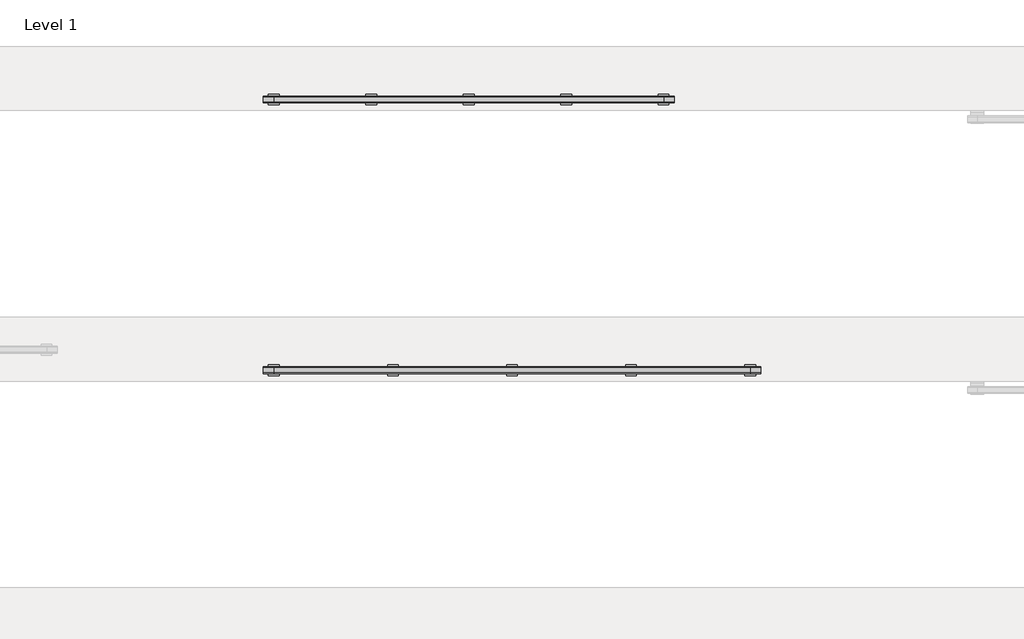
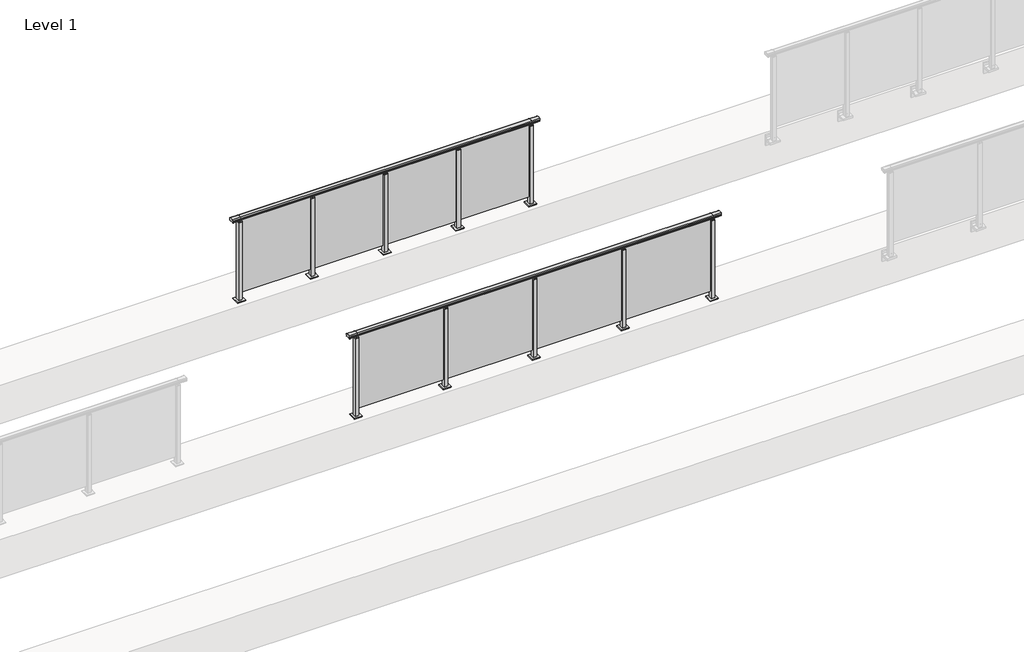
# One storey, part 55 of 64: 2 railings.
"""IFC4 building model written with IfcOpenShell, lengths in millimetres."""

from ifc_helpers import new_model, si_unit, frame, origin, origin_with_axes, place, context, project, spatial, polyline, circle_curve, outline, extrude, element, save
from ifc_brep_helpers import plane_surface, cylinder_surface, revolved_surface, advanced_brep

model = new_model("IFC4")

# Units and contexts
model_context = context("Model", 3, world=origin())
ifc_project = project(units=[si_unit("LENGTHUNIT", "METRE", prefix="MILLI")], contexts=[model_context])

# Site, building, storey
site = spatial("IfcSite", under=ifc_project)
building = spatial("IfcBuilding", under=site)
storey = spatial("IfcBuildingStorey", under=building, Name="Level 1", Elevation=0.0)

# Railings
placement = place(None, origin())
element("IfcRailing", 1, at=placement, inside=storey, context=model_context, shape_type="SolidModel", body=[
    advanced_brep(
    [(36400.0, 35025.3633756, 1095.6691182), (36400.0, 35030.1846828, 1081.1334092), (36400.0, 35029.2413744, 1069.2539035), (36400.0, 35031.1364177, 1061.4863007), (36400.0, 35029.4894799, 1060.384124), (36400.0, 35029.4894799, 1062.0), (36400.0, 34970.8798858, 1062.0), (36400.0, 34970.8798858, 1060.384124), (36400.0, 34969.232948, 1061.4863007), (36400.0, 34971.1279912, 1069.2539035), (36400.0, 34970.1846828, 1081.1334092), (36400.0, 34975.00599, 1095.6691182), (41000.0, 35025.3633756, 1095.6691182), (41000.0, 34975.00599, 1095.6691182), (41000.0, 34970.1846828, 1081.1334092), (41000.0, 34971.1279912, 1069.2539035), (41000.0, 34969.232948, 1061.4863007), (41000.0, 34970.8798858, 1060.384124), (41000.0, 34970.8798858, 1062.0), (41000.0, 35029.4894799, 1062.0), (41000.0, 35029.4894799, 1060.384124), (41000.0, 35031.1364177, 1061.4863007), (41000.0, 35029.2413744, 1069.2539035), (41000.0, 35030.1846828, 1081.1334092), (36500.0, 35025.3633756, 1095.6691182), (36500.0, 35030.1846828, 1081.1334092), (36500.0, 35029.2413744, 1069.2539035), (36500.0, 35031.1364177, 1061.4863007), (36500.0, 35029.4894799, 1060.384124), (36500.0, 35029.4894799, 1062.0), (36500.0, 34970.8798858, 1062.0), (36500.0, 34970.8798858, 1060.384124), (36500.0, 34969.232948, 1061.4863007), (36500.0, 34971.1279912, 1069.2539035), (36500.0, 34970.1846828, 1081.1334092), (36500.0, 34975.00599, 1095.6691182), (40900.0, 35025.3633756, 1095.6691182), (40900.0, 35030.1846828, 1081.1334092), (40900.0, 35029.2413744, 1069.2539035), (40900.0, 35031.1364177, 1061.4863007), (40900.0, 35029.4894799, 1060.384124), (40900.0, 35029.4894799, 1062.0), (40900.0, 34970.8798858, 1062.0), (40900.0, 34970.8798858, 1060.384124), (40900.0, 34969.232948, 1061.4863007), (40900.0, 34971.1279912, 1069.2539035), (40900.0, 34970.1846828, 1081.1334092), (40900.0, 34975.00599, 1095.6691182)],
    [
        (0, 1, circle_curve(frame((36400.0, 35022.1223845, 1086.526686), z_axis=(-1.0, 0.0, 0.0), x_axis=(0.0, -1.0, 0.0)), 9.6999015)),
        (1, 2, circle_curve(frame((36400.0, 35047.7252545, 1073.7633709), z_axis=(1.0, 0.0, 0.0), x_axis=(0.0, -1.0, 0.0)), 19.0260117)),
        (2, 3),
        (3, 4, circle_curve(frame((36400.0, 35030.2772073, 1060.9886194), z_axis=(-1.0, 0.0, 0.0), x_axis=(0.0, -1.0, 0.0)), 0.9929396)),
        (4, 5),
        (5, 6),
        (6, 7),
        (7, 8, circle_curve(frame((36400.0, 34970.0921584, 1060.9886194), z_axis=(-1.0, 0.0, 0.0), x_axis=(0.0, 1.0, 0.0)), 0.9929396)),
        (8, 9),
        (9, 10, circle_curve(frame((36400.0, 34952.6441111, 1073.7633709), z_axis=(1.0, 0.0, 0.0), x_axis=(0.0, 1.0, 0.0)), 19.0260117)),
        (10, 11, circle_curve(frame((36400.0, 34978.2469812, 1086.526686), z_axis=(-1.0, 0.0, 0.0), x_axis=(0.0, 1.0, 0.0)), 9.6999015)),
        (11, 0, circle_curve(frame((36400.0, 35000.1846828, 1024.6431628), z_axis=(-1.0, 0.0, 0.0), x_axis=(0.0, 1.0, 0.0)), 75.3568372)),
        (12, 13, circle_curve(frame((41000.0, 35000.1846828, 1024.6431628), z_axis=(1.0, 0.0, 0.0), x_axis=(0.0, 1.0, 0.0)), 75.3568372)),
        (13, 14, circle_curve(frame((41000.0, 34978.2469812, 1086.526686), z_axis=(1.0, 0.0, 0.0), x_axis=(0.0, 1.0, 0.0)), 9.6999015)),
        (14, 15, circle_curve(frame((41000.0, 34952.6441111, 1073.7633709), z_axis=(-1.0, 0.0, 0.0), x_axis=(0.0, 1.0, 0.0)), 19.0260117)),
        (15, 16),
        (16, 17, circle_curve(frame((41000.0, 34970.0921584, 1060.9886194), z_axis=(1.0, 0.0, 0.0), x_axis=(0.0, 1.0, 0.0)), 0.9929396)),
        (17, 18),
        (18, 19),
        (19, 20),
        (20, 21, circle_curve(frame((41000.0, 35030.2772073, 1060.9886194), z_axis=(1.0, 0.0, 0.0), x_axis=(0.0, -1.0, 0.0)), 0.9929396)),
        (21, 22),
        (22, 23, circle_curve(frame((41000.0, 35047.7252545, 1073.7633709), z_axis=(-1.0, 0.0, 0.0), x_axis=(0.0, -1.0, 0.0)), 19.0260117)),
        (23, 12, circle_curve(frame((41000.0, 35022.1223845, 1086.526686), z_axis=(1.0, 0.0, 0.0), x_axis=(0.0, -1.0, 0.0)), 9.6999015)),
        (0, 24),
        (24, 25, circle_curve(frame((36500.0, 35022.1223845, 1086.526686), z_axis=(-1.0, 0.0, 0.0), x_axis=(0.0, -1.0, 0.0)), 9.6999015)),
        (25, 1),
        (25, 26, circle_curve(frame((36500.0, 35047.7252545, 1073.7633709), z_axis=(1.0, 0.0, 0.0), x_axis=(0.0, -1.0, 0.0)), 19.0260117)),
        (26, 2),
        (26, 27),
        (27, 3),
        (27, 28, circle_curve(frame((36500.0, 35030.2772073, 1060.9886194), z_axis=(-1.0, 0.0, 0.0), x_axis=(0.0, -1.0, 0.0)), 0.9929396)),
        (28, 4),
        (28, 29),
        (29, 5),
        (29, 30),
        (30, 6),
        (30, 31),
        (31, 7),
        (31, 32, circle_curve(frame((36500.0, 34970.0921584, 1060.9886194), z_axis=(-1.0, 0.0, 0.0), x_axis=(0.0, 1.0, 0.0)), 0.9929396)),
        (32, 8),
        (32, 33),
        (33, 9),
        (33, 34, circle_curve(frame((36500.0, 34952.6441111, 1073.7633709), z_axis=(1.0, 0.0, 0.0), x_axis=(0.0, 1.0, 0.0)), 19.0260117)),
        (34, 10),
        (34, 35, circle_curve(frame((36500.0, 34978.2469812, 1086.526686), z_axis=(-1.0, 0.0, 0.0), x_axis=(0.0, 1.0, 0.0)), 9.6999015)),
        (35, 11),
        (35, 24, circle_curve(frame((36500.0, 35000.1846828, 1024.6431628), z_axis=(-1.0, 0.0, 0.0), x_axis=(0.0, 1.0, 0.0)), 75.3568372)),
        (24, 36),
        (36, 37, circle_curve(frame((40900.0, 35022.1223845, 1086.526686), z_axis=(-1.0, 0.0, 0.0), x_axis=(0.0, -1.0, 0.0)), 9.6999015)),
        (37, 25),
        (37, 38, circle_curve(frame((40900.0, 35047.7252545, 1073.7633709), z_axis=(1.0, 0.0, 0.0), x_axis=(0.0, -1.0, 0.0)), 19.0260117)),
        (38, 26),
        (38, 39),
        (39, 27),
        (39, 40, circle_curve(frame((40900.0, 35030.2772073, 1060.9886194), z_axis=(-1.0, 0.0, 0.0), x_axis=(0.0, -1.0, 0.0)), 0.9929396)),
        (40, 28),
        (40, 41),
        (41, 29),
        (41, 42),
        (42, 30),
        (42, 43),
        (43, 31),
        (43, 44, circle_curve(frame((40900.0, 34970.0921584, 1060.9886194), z_axis=(-1.0, 0.0, 0.0), x_axis=(0.0, 1.0, 0.0)), 0.9929396)),
        (44, 32),
        (44, 45),
        (45, 33),
        (45, 46, circle_curve(frame((40900.0, 34952.6441111, 1073.7633709), z_axis=(1.0, 0.0, 0.0), x_axis=(0.0, 1.0, 0.0)), 19.0260117)),
        (46, 34),
        (46, 47, circle_curve(frame((40900.0, 34978.2469812, 1086.526686), z_axis=(-1.0, 0.0, 0.0), x_axis=(0.0, 1.0, 0.0)), 9.6999015)),
        (47, 35),
        (47, 36, circle_curve(frame((40900.0, 35000.1846828, 1024.6431628), z_axis=(-1.0, 0.0, 0.0), x_axis=(0.0, 1.0, 0.0)), 75.3568372)),
        (36, 12),
        (23, 37),
        (22, 38),
        (21, 39),
        (20, 40),
        (19, 41),
        (18, 42),
        (17, 43),
        (16, 44),
        (15, 45),
        (14, 46),
        (13, 47),
    ],
    [
        plane_surface(frame((36400.0, 35000.1846828, 1100.0), z_axis=(-1.0, 0.0, 0.0), x_axis=(0.0, 1.0, 0.0))),
        plane_surface(frame((41000.0, 35000.1846828, 1100.0), z_axis=(1.0, 0.0, 0.0), x_axis=(0.0, 1.0, 0.0))),
        cylinder_surface(frame((36400.0, 35022.1223845, 1086.526686), z_axis=(-1.0, 0.0, 0.0), x_axis=(0.0, -1.0, 0.0)), 9.6999015),
        revolved_surface(polyline([(36500.0, 35028.6992428, 1073.7633709), (36400.0, 35028.6992428, 1073.7633709)]), (36400.0, 35047.7252545, 1073.7633709), (1.0, 0.0, 0.0)),
        plane_surface(frame((36400.0, 35029.2413744, 1069.2539035), z_axis=(0.0, 0.9715057689301543, 0.2370159086125439), x_axis=(1.0, 0.0, 0.0))),
        cylinder_surface(frame((36400.0, 35030.2772073, 1060.9886194), z_axis=(-1.0, 0.0, 0.0), x_axis=(0.0, -1.0, 0.0)), 0.9929396),
        plane_surface(frame((36400.0, 35029.4894799, 1060.384124), z_axis=(0.0, -1.0, 0.0), x_axis=(1.0, 0.0, 0.0))),
        plane_surface(frame((36400.0, 35029.4894799, 1062.0), z_axis=(0.0, 0.0, -1.0), x_axis=(1.0, 0.0, 0.0))),
        plane_surface(frame((36400.0, 34970.8798858, 1062.0), z_axis=(0.0, 1.0, 0.0), x_axis=(1.0, 0.0, 0.0))),
        cylinder_surface(frame((36400.0, 34970.0921584, 1060.9886194), z_axis=(-1.0, 0.0, 0.0), x_axis=(0.0, 1.0, 0.0)), 0.9929396),
        plane_surface(frame((36400.0, 34969.232948, 1061.4863007), z_axis=(0.0, -0.9715057689301543, 0.2370159086125439), x_axis=(1.0, 0.0, 0.0))),
        revolved_surface(polyline([(36500.0, 34971.6701228, 1073.7633709), (36400.0, 34971.6701228, 1073.7633709)]), (36400.0, 34952.6441111, 1073.7633709), (1.0, 0.0, 0.0)),
        cylinder_surface(frame((36400.0, 34978.2469812, 1086.526686), z_axis=(-1.0, 0.0, 0.0), x_axis=(0.0, 1.0, 0.0)), 9.6999015),
        cylinder_surface(frame((36400.0, 35000.1846828, 1024.6431628), z_axis=(-1.0, 0.0, 0.0), x_axis=(0.0, 1.0, 0.0)), 75.3568372),
        cylinder_surface(frame((36500.0, 35022.1223845, 1086.526686), z_axis=(-1.0, 0.0, 0.0), x_axis=(0.0, -1.0, 0.0)), 9.6999015),
        revolved_surface(polyline([(40900.0, 35028.6992428, 1073.7633709), (36500.0, 35028.6992428, 1073.7633709)]), (36500.0, 35047.7252545, 1073.7633709), (1.0, 0.0, 0.0)),
        plane_surface(frame((36500.0, 35029.2413744, 1069.2539035), z_axis=(0.0, 0.9715057689301543, 0.2370159086125439), x_axis=(1.0, 0.0, 0.0))),
        cylinder_surface(frame((36500.0, 35030.2772073, 1060.9886194), z_axis=(-1.0, 0.0, 0.0), x_axis=(0.0, -1.0, 0.0)), 0.9929396),
        plane_surface(frame((36500.0, 35029.4894799, 1060.384124), z_axis=(0.0, -1.0, 0.0), x_axis=(1.0, 0.0, 0.0))),
        plane_surface(frame((36500.0, 35029.4894799, 1062.0), z_axis=(0.0, 0.0, -1.0), x_axis=(1.0, 0.0, 0.0))),
        plane_surface(frame((36500.0, 34970.8798858, 1062.0), z_axis=(0.0, 1.0, 0.0), x_axis=(1.0, 0.0, 0.0))),
        cylinder_surface(frame((36500.0, 34970.0921584, 1060.9886194), z_axis=(-1.0, 0.0, 0.0), x_axis=(0.0, 1.0, 0.0)), 0.9929396),
        plane_surface(frame((36500.0, 34969.232948, 1061.4863007), z_axis=(0.0, -0.9715057689301543, 0.2370159086125439), x_axis=(1.0, 0.0, 0.0))),
        revolved_surface(polyline([(40900.0, 34971.6701228, 1073.7633709), (36500.0, 34971.6701228, 1073.7633709)]), (36500.0, 34952.6441111, 1073.7633709), (1.0, 0.0, 0.0)),
        cylinder_surface(frame((36500.0, 34978.2469812, 1086.526686), z_axis=(-1.0, 0.0, 0.0), x_axis=(0.0, 1.0, 0.0)), 9.6999015),
        cylinder_surface(frame((36500.0, 35000.1846828, 1024.6431628), z_axis=(-1.0, 0.0, 0.0), x_axis=(0.0, 1.0, 0.0)), 75.3568372),
        cylinder_surface(frame((40900.0, 35022.1223845, 1086.526686), z_axis=(-1.0, 0.0, 0.0), x_axis=(0.0, -1.0, 0.0)), 9.6999015),
        revolved_surface(polyline([(41000.0, 35028.6992428, 1073.7633709), (40900.0, 35028.6992428, 1073.7633709)]), (40900.0, 35047.7252545, 1073.7633709), (1.0, 0.0, 0.0)),
        plane_surface(frame((40900.0, 35029.2413744, 1069.2539035), z_axis=(0.0, 0.9715057689301543, 0.2370159086125439), x_axis=(1.0, 0.0, 0.0))),
        cylinder_surface(frame((40900.0, 35030.2772073, 1060.9886194), z_axis=(-1.0, 0.0, 0.0), x_axis=(0.0, -1.0, 0.0)), 0.9929396),
        plane_surface(frame((40900.0, 35029.4894799, 1060.384124), z_axis=(0.0, -1.0, 0.0), x_axis=(1.0, 0.0, 0.0))),
        plane_surface(frame((40900.0, 35029.4894799, 1062.0), z_axis=(0.0, 0.0, -1.0), x_axis=(1.0, 0.0, 0.0))),
        plane_surface(frame((40900.0, 34970.8798858, 1062.0), z_axis=(0.0, 1.0, 0.0), x_axis=(1.0, 0.0, 0.0))),
        cylinder_surface(frame((40900.0, 34970.0921584, 1060.9886194), z_axis=(-1.0, 0.0, 0.0), x_axis=(0.0, 1.0, 0.0)), 0.9929396),
        plane_surface(frame((40900.0, 34969.232948, 1061.4863007), z_axis=(0.0, -0.9715057689301543, 0.2370159086125439), x_axis=(1.0, 0.0, 0.0))),
        revolved_surface(polyline([(41000.0, 34971.6701228, 1073.7633709), (40900.0, 34971.6701228, 1073.7633709)]), (40900.0, 34952.6441111, 1073.7633709), (1.0, 0.0, 0.0)),
        cylinder_surface(frame((40900.0, 34978.2469812, 1086.526686), z_axis=(-1.0, 0.0, 0.0), x_axis=(0.0, 1.0, 0.0)), 9.6999015),
        cylinder_surface(frame((40900.0, 35000.1846828, 1024.6431628), z_axis=(-1.0, 0.0, 0.0), x_axis=(0.0, 1.0, 0.0)), 75.3568372),
    ],
    [
        (0, [[1, 2, 3, 4, 5, 6, 7, 8, 9, 10, 11, 12]]),
        (1, [[13, 14, 15, 16, 17, 18, 19, 20, 21, 22, 23, 24]]),
        (2, [[-1, 25, 26, 27]]),
        (3, [[-2, -27, 28, 29]]),
        (4, [[-3, -29, 30, 31]]),
        (5, [[-4, -31, 32, 33]]),
        (6, [[-5, -33, 34, 35]]),
        (7, [[-6, -35, 36, 37]]),
        (8, [[-7, -37, 38, 39]]),
        (9, [[-8, -39, 40, 41]]),
        (10, [[-9, -41, 42, 43]]),
        (11, [[-10, -43, 44, 45]]),
        (12, [[-11, -45, 46, 47]]),
        (13, [[-12, -47, 48, -25]]),
        (14, [[-26, 49, 50, 51]]),
        (15, [[-28, -51, 52, 53]]),
        (16, [[-30, -53, 54, 55]]),
        (17, [[-32, -55, 56, 57]]),
        (18, [[-34, -57, 58, 59]]),
        (19, [[-36, -59, 60, 61]]),
        (20, [[-38, -61, 62, 63]]),
        (21, [[-40, -63, 64, 65]]),
        (22, [[-42, -65, 66, 67]]),
        (23, [[-44, -67, 68, 69]]),
        (24, [[-46, -69, 70, 71]]),
        (25, [[-48, -71, 72, -49]]),
        (26, [[-50, 73, -24, 74]]),
        (27, [[-52, -74, -23, 75]]),
        (28, [[-54, -75, -22, 76]]),
        (29, [[-56, -76, -21, 77]]),
        (30, [[-58, -77, -20, 78]]),
        (31, [[-60, -78, -19, 79]]),
        (32, [[-62, -79, -18, 80]]),
        (33, [[-64, -80, -17, 81]]),
        (34, [[-66, -81, -16, 82]]),
        (35, [[-68, -82, -15, 83]]),
        (36, [[-70, -83, -14, 84]]),
        (37, [[-72, -84, -13, -73]]),
    ],
),
    extrude(outline(polyline([(39810.0, 35005.9598727), (40890.0, 35005.9598727), (40890.0, 34995.9598727), (39810.0, 34995.9598727), (39810.0, 35005.9598727)])), frame((0.0, 0.0, 95.0), z_axis=(0.0, 0.0, 1.0), x_axis=(1.0, 0.0, 0.0)), (0.0, 0.0, 1.0), 960.0),
    extrude(outline(polyline([(39810.0, 34990.1846828), (39790.0, 34990.1846828), (39790.0, 35010.1846828), (39810.0, 35010.1846828), (39810.0, 34990.1846828)])), frame((0.0, 0.0, 1035.0), z_axis=(0.0, 0.0, 1.0), x_axis=(1.0, 0.0, 0.0)), (0.0, 0.0, 1.0), 20.0),
    extrude(outline(polyline([(39822.5, 34977.6846828), (39777.5, 34977.6846828), (39777.5, 35022.6846828), (39822.5, 35022.6846828), (39822.5, 34977.6846828)])), frame((0.0, 0.0, 1027.0), z_axis=(0.0, 0.0, 1.0), x_axis=(1.0, 0.0, 0.0)), (0.0, 0.0, 1.0), 8.0),
    extrude(outline(polyline([(39850.0, 34950.1846828), (39750.0, 34950.1846828), (39750.0, 35050.1846828), (39850.0, 35050.1846828), (39850.0, 34950.1846828)])), origin_with_axes(), (0.0, 0.0, 1.0), 12.0),
    extrude(outline(polyline([(39822.5, 34977.6846828), (39777.5, 34977.6846828), (39777.5, 35022.6846828), (39822.5, 35022.6846828), (39822.5, 34977.6846828)])), frame((0.0, 0.0, 12.0), z_axis=(0.0, 0.0, 1.0), x_axis=(1.0, 0.0, 0.0)), (0.0, 0.0, 1.0), 1015.0),
    extrude(outline(polyline([(38710.0, 35005.9598727), (39790.0, 35005.9598727), (39790.0, 34995.9598727), (38710.0, 34995.9598727), (38710.0, 35005.9598727)])), frame((0.0, 0.0, 95.0), z_axis=(0.0, 0.0, 1.0), x_axis=(1.0, 0.0, 0.0)), (0.0, 0.0, 1.0), 960.0),
    extrude(outline(polyline([(38710.0, 34990.1846828), (38690.0, 34990.1846828), (38690.0, 35010.1846828), (38710.0, 35010.1846828), (38710.0, 34990.1846828)])), frame((0.0, 0.0, 1035.0), z_axis=(0.0, 0.0, 1.0), x_axis=(1.0, 0.0, 0.0)), (0.0, 0.0, 1.0), 20.0),
    extrude(outline(polyline([(38722.5, 34977.6846828), (38677.5, 34977.6846828), (38677.5, 35022.6846828), (38722.5, 35022.6846828), (38722.5, 34977.6846828)])), frame((0.0, 0.0, 1027.0), z_axis=(0.0, 0.0, 1.0), x_axis=(1.0, 0.0, 0.0)), (0.0, 0.0, 1.0), 8.0),
    extrude(outline(polyline([(38750.0, 34950.1846828), (38650.0, 34950.1846828), (38650.0, 35050.1846828), (38750.0, 35050.1846828), (38750.0, 34950.1846828)])), origin_with_axes(), (0.0, 0.0, 1.0), 12.0),
    extrude(outline(polyline([(38722.5, 34977.6846828), (38677.5, 34977.6846828), (38677.5, 35022.6846828), (38722.5, 35022.6846828), (38722.5, 34977.6846828)])), frame((0.0, 0.0, 12.0), z_axis=(0.0, 0.0, 1.0), x_axis=(1.0, 0.0, 0.0)), (0.0, 0.0, 1.0), 1015.0),
    extrude(outline(polyline([(37610.0, 35005.9598727), (38690.0, 35005.9598727), (38690.0, 34995.9598727), (37610.0, 34995.9598727), (37610.0, 35005.9598727)])), frame((0.0, 0.0, 95.0), z_axis=(0.0, 0.0, 1.0), x_axis=(1.0, 0.0, 0.0)), (0.0, 0.0, 1.0), 960.0),
    extrude(outline(polyline([(37610.0, 34990.1846828), (37590.0, 34990.1846828), (37590.0, 35010.1846828), (37610.0, 35010.1846828), (37610.0, 34990.1846828)])), frame((0.0, 0.0, 1035.0), z_axis=(0.0, 0.0, 1.0), x_axis=(1.0, 0.0, 0.0)), (0.0, 0.0, 1.0), 20.0),
    extrude(outline(polyline([(37622.5, 34977.6846828), (37577.5, 34977.6846828), (37577.5, 35022.6846828), (37622.5, 35022.6846828), (37622.5, 34977.6846828)])), frame((0.0, 0.0, 1027.0), z_axis=(0.0, 0.0, 1.0), x_axis=(1.0, 0.0, 0.0)), (0.0, 0.0, 1.0), 8.0),
    extrude(outline(polyline([(37650.0, 34950.1846828), (37550.0, 34950.1846828), (37550.0, 35050.1846828), (37650.0, 35050.1846828), (37650.0, 34950.1846828)])), origin_with_axes(), (0.0, 0.0, 1.0), 12.0),
    extrude(outline(polyline([(37622.5, 34977.6846828), (37577.5, 34977.6846828), (37577.5, 35022.6846828), (37622.5, 35022.6846828), (37622.5, 34977.6846828)])), frame((0.0, 0.0, 12.0), z_axis=(0.0, 0.0, 1.0), x_axis=(1.0, 0.0, 0.0)), (0.0, 0.0, 1.0), 1015.0),
    extrude(outline(polyline([(36510.0, 35005.9598727), (37590.0, 35005.9598727), (37590.0, 34995.9598727), (36510.0, 34995.9598727), (36510.0, 35005.9598727)])), frame((0.0, 0.0, 95.0), z_axis=(0.0, 0.0, 1.0), x_axis=(1.0, 0.0, 0.0)), (0.0, 0.0, 1.0), 960.0),
    extrude(outline(polyline([(40910.0, 34990.1846828), (40890.0, 34990.1846828), (40890.0, 35010.1846828), (40910.0, 35010.1846828), (40910.0, 34990.1846828)])), frame((0.0, 0.0, 1035.0), z_axis=(0.0, 0.0, 1.0), x_axis=(1.0, 0.0, 0.0)), (0.0, 0.0, 1.0), 20.0),
    extrude(outline(polyline([(40922.5, 34977.6846828), (40877.5, 34977.6846828), (40877.5, 35022.6846828), (40922.5, 35022.6846828), (40922.5, 34977.6846828)])), frame((0.0, 0.0, 1027.0), z_axis=(0.0, 0.0, 1.0), x_axis=(1.0, 0.0, 0.0)), (0.0, 0.0, 1.0), 8.0),
    extrude(outline(polyline([(40950.0, 34950.1846828), (40850.0, 34950.1846828), (40850.0, 35050.1846828), (40950.0, 35050.1846828), (40950.0, 34950.1846828)])), origin_with_axes(), (0.0, 0.0, 1.0), 12.0),
    extrude(outline(polyline([(40922.5, 34977.6846828), (40877.5, 34977.6846828), (40877.5, 35022.6846828), (40922.5, 35022.6846828), (40922.5, 34977.6846828)])), frame((0.0, 0.0, 12.0), z_axis=(0.0, 0.0, 1.0), x_axis=(1.0, 0.0, 0.0)), (0.0, 0.0, 1.0), 1015.0),
    extrude(outline(polyline([(36510.0, 34990.1846828), (36490.0, 34990.1846828), (36490.0, 35010.1846828), (36510.0, 35010.1846828), (36510.0, 34990.1846828)])), frame((0.0, 0.0, 1035.0), z_axis=(0.0, 0.0, 1.0), x_axis=(1.0, 0.0, 0.0)), (0.0, 0.0, 1.0), 20.0),
    extrude(outline(polyline([(36522.5, 34977.6846828), (36477.5, 34977.6846828), (36477.5, 35022.6846828), (36522.5, 35022.6846828), (36522.5, 34977.6846828)])), frame((0.0, 0.0, 1027.0), z_axis=(0.0, 0.0, 1.0), x_axis=(1.0, 0.0, 0.0)), (0.0, 0.0, 1.0), 8.0),
    extrude(outline(polyline([(36550.0, 34950.1846828), (36450.0, 34950.1846828), (36450.0, 35050.1846828), (36550.0, 35050.1846828), (36550.0, 34950.1846828)])), origin_with_axes(), (0.0, 0.0, 1.0), 12.0),
    extrude(outline(polyline([(36522.5, 34977.6846828), (36477.5, 34977.6846828), (36477.5, 35022.6846828), (36522.5, 35022.6846828), (36522.5, 34977.6846828)])), frame((0.0, 0.0, 12.0), z_axis=(0.0, 0.0, 1.0), x_axis=(1.0, 0.0, 0.0)), (0.0, 0.0, 1.0), 1015.0),
])
element("IfcRailing", 2, at=placement, inside=storey, context=model_context, shape_type="SolidModel", body=[
    advanced_brep(
    [(36400.0, 37525.3633756, 1095.6691182), (36400.0, 37530.1846828, 1081.1334092), (36400.0, 37529.2413744, 1069.2539035), (36400.0, 37531.1364177, 1061.4863007), (36400.0, 37529.4894799, 1060.384124), (36400.0, 37529.4894799, 1062.0), (36400.0, 37470.8798858, 1062.0), (36400.0, 37470.8798858, 1060.384124), (36400.0, 37469.232948, 1061.4863007), (36400.0, 37471.1279912, 1069.2539035), (36400.0, 37470.1846828, 1081.1334092), (36400.0, 37475.00599, 1095.6691182), (40200.0, 37525.3633756, 1095.6691182), (40200.0, 37475.00599, 1095.6691182), (40200.0, 37470.1846828, 1081.1334092), (40200.0, 37471.1279912, 1069.2539035), (40200.0, 37469.232948, 1061.4863007), (40200.0, 37470.8798858, 1060.384124), (40200.0, 37470.8798858, 1062.0), (40200.0, 37529.4894799, 1062.0), (40200.0, 37529.4894799, 1060.384124), (40200.0, 37531.1364177, 1061.4863007), (40200.0, 37529.2413744, 1069.2539035), (40200.0, 37530.1846828, 1081.1334092), (36500.0, 37525.3633756, 1095.6691182), (36500.0, 37530.1846828, 1081.1334092), (36500.0, 37529.2413744, 1069.2539035), (36500.0, 37531.1364177, 1061.4863007), (36500.0, 37529.4894799, 1060.384124), (36500.0, 37529.4894799, 1062.0), (36500.0, 37470.8798858, 1062.0), (36500.0, 37470.8798858, 1060.384124), (36500.0, 37469.232948, 1061.4863007), (36500.0, 37471.1279912, 1069.2539035), (36500.0, 37470.1846828, 1081.1334092), (36500.0, 37475.00599, 1095.6691182), (40100.0, 37525.3633756, 1095.6691182), (40100.0, 37530.1846828, 1081.1334092), (40100.0, 37529.2413744, 1069.2539035), (40100.0, 37531.1364177, 1061.4863007), (40100.0, 37529.4894799, 1060.384124), (40100.0, 37529.4894799, 1062.0), (40100.0, 37470.8798858, 1062.0), (40100.0, 37470.8798858, 1060.384124), (40100.0, 37469.232948, 1061.4863007), (40100.0, 37471.1279912, 1069.2539035), (40100.0, 37470.1846828, 1081.1334092), (40100.0, 37475.00599, 1095.6691182)],
    [
        (0, 1, circle_curve(frame((36400.0, 37522.1223845, 1086.526686), z_axis=(-1.0, 0.0, 0.0), x_axis=(0.0, -1.0, 0.0)), 9.6999015)),
        (1, 2, circle_curve(frame((36400.0, 37547.7252545, 1073.7633709), z_axis=(1.0, 0.0, 0.0), x_axis=(0.0, -1.0, 0.0)), 19.0260117)),
        (2, 3),
        (3, 4, circle_curve(frame((36400.0, 37530.2772073, 1060.9886194), z_axis=(-1.0, 0.0, 0.0), x_axis=(0.0, -1.0, 0.0)), 0.9929396)),
        (4, 5),
        (5, 6),
        (6, 7),
        (7, 8, circle_curve(frame((36400.0, 37470.0921584, 1060.9886194), z_axis=(-1.0, 0.0, 0.0), x_axis=(0.0, 1.0, 0.0)), 0.9929396)),
        (8, 9),
        (9, 10, circle_curve(frame((36400.0, 37452.6441111, 1073.7633709), z_axis=(1.0, 0.0, 0.0), x_axis=(0.0, 1.0, 0.0)), 19.0260117)),
        (10, 11, circle_curve(frame((36400.0, 37478.2469812, 1086.526686), z_axis=(-1.0, 0.0, 0.0), x_axis=(0.0, 1.0, 0.0)), 9.6999015)),
        (11, 0, circle_curve(frame((36400.0, 37500.1846828, 1024.6431628), z_axis=(-1.0, 0.0, 0.0), x_axis=(0.0, 1.0, 0.0)), 75.3568372)),
        (12, 13, circle_curve(frame((40200.0, 37500.1846828, 1024.6431628), z_axis=(1.0, 0.0, 0.0), x_axis=(0.0, 1.0, 0.0)), 75.3568372)),
        (13, 14, circle_curve(frame((40200.0, 37478.2469812, 1086.526686), z_axis=(1.0, 0.0, 0.0), x_axis=(0.0, 1.0, 0.0)), 9.6999015)),
        (14, 15, circle_curve(frame((40200.0, 37452.6441111, 1073.7633709), z_axis=(-1.0, 0.0, 0.0), x_axis=(0.0, 1.0, 0.0)), 19.0260117)),
        (15, 16),
        (16, 17, circle_curve(frame((40200.0, 37470.0921584, 1060.9886194), z_axis=(1.0, 0.0, 0.0), x_axis=(0.0, 1.0, 0.0)), 0.9929396)),
        (17, 18),
        (18, 19),
        (19, 20),
        (20, 21, circle_curve(frame((40200.0, 37530.2772073, 1060.9886194), z_axis=(1.0, 0.0, 0.0), x_axis=(0.0, -1.0, 0.0)), 0.9929396)),
        (21, 22),
        (22, 23, circle_curve(frame((40200.0, 37547.7252545, 1073.7633709), z_axis=(-1.0, 0.0, 0.0), x_axis=(0.0, -1.0, 0.0)), 19.0260117)),
        (23, 12, circle_curve(frame((40200.0, 37522.1223845, 1086.526686), z_axis=(1.0, 0.0, 0.0), x_axis=(0.0, -1.0, 0.0)), 9.6999015)),
        (0, 24),
        (24, 25, circle_curve(frame((36500.0, 37522.1223845, 1086.526686), z_axis=(-1.0, 0.0, 0.0), x_axis=(0.0, -1.0, 0.0)), 9.6999015)),
        (25, 1),
        (25, 26, circle_curve(frame((36500.0, 37547.7252545, 1073.7633709), z_axis=(1.0, 0.0, 0.0), x_axis=(0.0, -1.0, 0.0)), 19.0260117)),
        (26, 2),
        (26, 27),
        (27, 3),
        (27, 28, circle_curve(frame((36500.0, 37530.2772073, 1060.9886194), z_axis=(-1.0, 0.0, 0.0), x_axis=(0.0, -1.0, 0.0)), 0.9929396)),
        (28, 4),
        (28, 29),
        (29, 5),
        (29, 30),
        (30, 6),
        (30, 31),
        (31, 7),
        (31, 32, circle_curve(frame((36500.0, 37470.0921584, 1060.9886194), z_axis=(-1.0, 0.0, 0.0), x_axis=(0.0, 1.0, 0.0)), 0.9929396)),
        (32, 8),
        (32, 33),
        (33, 9),
        (33, 34, circle_curve(frame((36500.0, 37452.6441111, 1073.7633709), z_axis=(1.0, 0.0, 0.0), x_axis=(0.0, 1.0, 0.0)), 19.0260117)),
        (34, 10),
        (34, 35, circle_curve(frame((36500.0, 37478.2469812, 1086.526686), z_axis=(-1.0, 0.0, 0.0), x_axis=(0.0, 1.0, 0.0)), 9.6999015)),
        (35, 11),
        (35, 24, circle_curve(frame((36500.0, 37500.1846828, 1024.6431628), z_axis=(-1.0, 0.0, 0.0), x_axis=(0.0, 1.0, 0.0)), 75.3568372)),
        (24, 36),
        (36, 37, circle_curve(frame((40100.0, 37522.1223845, 1086.526686), z_axis=(-1.0, 0.0, 0.0), x_axis=(0.0, -1.0, 0.0)), 9.6999015)),
        (37, 25),
        (37, 38, circle_curve(frame((40100.0, 37547.7252545, 1073.7633709), z_axis=(1.0, 0.0, 0.0), x_axis=(0.0, -1.0, 0.0)), 19.0260117)),
        (38, 26),
        (38, 39),
        (39, 27),
        (39, 40, circle_curve(frame((40100.0, 37530.2772073, 1060.9886194), z_axis=(-1.0, 0.0, 0.0), x_axis=(0.0, -1.0, 0.0)), 0.9929396)),
        (40, 28),
        (40, 41),
        (41, 29),
        (41, 42),
        (42, 30),
        (42, 43),
        (43, 31),
        (43, 44, circle_curve(frame((40100.0, 37470.0921584, 1060.9886194), z_axis=(-1.0, 0.0, 0.0), x_axis=(0.0, 1.0, 0.0)), 0.9929396)),
        (44, 32),
        (44, 45),
        (45, 33),
        (45, 46, circle_curve(frame((40100.0, 37452.6441111, 1073.7633709), z_axis=(1.0, 0.0, 0.0), x_axis=(0.0, 1.0, 0.0)), 19.0260117)),
        (46, 34),
        (46, 47, circle_curve(frame((40100.0, 37478.2469812, 1086.526686), z_axis=(-1.0, 0.0, 0.0), x_axis=(0.0, 1.0, 0.0)), 9.6999015)),
        (47, 35),
        (47, 36, circle_curve(frame((40100.0, 37500.1846828, 1024.6431628), z_axis=(-1.0, 0.0, 0.0), x_axis=(0.0, 1.0, 0.0)), 75.3568372)),
        (36, 12),
        (23, 37),
        (22, 38),
        (21, 39),
        (20, 40),
        (19, 41),
        (18, 42),
        (17, 43),
        (16, 44),
        (15, 45),
        (14, 46),
        (13, 47),
    ],
    [
        plane_surface(frame((36400.0, 37500.1846828, 1100.0), z_axis=(-1.0, 0.0, 0.0), x_axis=(0.0, 1.0, 0.0))),
        plane_surface(frame((40200.0, 37500.1846828, 1100.0), z_axis=(1.0, 0.0, 0.0), x_axis=(0.0, 1.0, 0.0))),
        cylinder_surface(frame((36400.0, 37522.1223845, 1086.526686), z_axis=(-1.0, 0.0, 0.0), x_axis=(0.0, -1.0, 0.0)), 9.6999015),
        revolved_surface(polyline([(36500.0, 37528.6992428, 1073.7633709), (36400.0, 37528.6992428, 1073.7633709)]), (36400.0, 37547.7252545, 1073.7633709), (1.0, 0.0, 0.0)),
        plane_surface(frame((36400.0, 37529.2413744, 1069.2539035), z_axis=(0.0, 0.9715057689301543, 0.2370159086125439), x_axis=(1.0, 0.0, 0.0))),
        cylinder_surface(frame((36400.0, 37530.2772073, 1060.9886194), z_axis=(-1.0, 0.0, 0.0), x_axis=(0.0, -1.0, 0.0)), 0.9929396),
        plane_surface(frame((36400.0, 37529.4894799, 1060.384124), z_axis=(0.0, -1.0, 0.0), x_axis=(1.0, 0.0, 0.0))),
        plane_surface(frame((36400.0, 37529.4894799, 1062.0), z_axis=(0.0, 0.0, -1.0), x_axis=(1.0, 0.0, 0.0))),
        plane_surface(frame((36400.0, 37470.8798858, 1062.0), z_axis=(0.0, 1.0, 0.0), x_axis=(1.0, 0.0, 0.0))),
        cylinder_surface(frame((36400.0, 37470.0921584, 1060.9886194), z_axis=(-1.0, 0.0, 0.0), x_axis=(0.0, 1.0, 0.0)), 0.9929396),
        plane_surface(frame((36400.0, 37469.232948, 1061.4863007), z_axis=(0.0, -0.9715057689301543, 0.2370159086125439), x_axis=(1.0, 0.0, 0.0))),
        revolved_surface(polyline([(36500.0, 37471.6701228, 1073.7633709), (36400.0, 37471.6701228, 1073.7633709)]), (36400.0, 37452.6441111, 1073.7633709), (1.0, 0.0, 0.0)),
        cylinder_surface(frame((36400.0, 37478.2469812, 1086.526686), z_axis=(-1.0, 0.0, 0.0), x_axis=(0.0, 1.0, 0.0)), 9.6999015),
        cylinder_surface(frame((36400.0, 37500.1846828, 1024.6431628), z_axis=(-1.0, 0.0, 0.0), x_axis=(0.0, 1.0, 0.0)), 75.3568372),
        cylinder_surface(frame((36500.0, 37522.1223845, 1086.526686), z_axis=(-1.0, 0.0, 0.0), x_axis=(0.0, -1.0, 0.0)), 9.6999015),
        revolved_surface(polyline([(40100.0, 37528.6992428, 1073.7633709), (36500.0, 37528.6992428, 1073.7633709)]), (36500.0, 37547.7252545, 1073.7633709), (1.0, 0.0, 0.0)),
        plane_surface(frame((36500.0, 37529.2413744, 1069.2539035), z_axis=(0.0, 0.9715057689301543, 0.2370159086125439), x_axis=(1.0, 0.0, 0.0))),
        cylinder_surface(frame((36500.0, 37530.2772073, 1060.9886194), z_axis=(-1.0, 0.0, 0.0), x_axis=(0.0, -1.0, 0.0)), 0.9929396),
        plane_surface(frame((36500.0, 37529.4894799, 1060.384124), z_axis=(0.0, -1.0, 0.0), x_axis=(1.0, 0.0, 0.0))),
        plane_surface(frame((36500.0, 37529.4894799, 1062.0), z_axis=(0.0, 0.0, -1.0), x_axis=(1.0, 0.0, 0.0))),
        plane_surface(frame((36500.0, 37470.8798858, 1062.0), z_axis=(0.0, 1.0, 0.0), x_axis=(1.0, 0.0, 0.0))),
        cylinder_surface(frame((36500.0, 37470.0921584, 1060.9886194), z_axis=(-1.0, 0.0, 0.0), x_axis=(0.0, 1.0, 0.0)), 0.9929396),
        plane_surface(frame((36500.0, 37469.232948, 1061.4863007), z_axis=(0.0, -0.9715057689301543, 0.2370159086125439), x_axis=(1.0, 0.0, 0.0))),
        revolved_surface(polyline([(40100.0, 37471.6701228, 1073.7633709), (36500.0, 37471.6701228, 1073.7633709)]), (36500.0, 37452.6441111, 1073.7633709), (1.0, 0.0, 0.0)),
        cylinder_surface(frame((36500.0, 37478.2469812, 1086.526686), z_axis=(-1.0, 0.0, 0.0), x_axis=(0.0, 1.0, 0.0)), 9.6999015),
        cylinder_surface(frame((36500.0, 37500.1846828, 1024.6431628), z_axis=(-1.0, 0.0, 0.0), x_axis=(0.0, 1.0, 0.0)), 75.3568372),
        cylinder_surface(frame((40100.0, 37522.1223845, 1086.526686), z_axis=(-1.0, 0.0, 0.0), x_axis=(0.0, -1.0, 0.0)), 9.6999015),
        revolved_surface(polyline([(40200.0, 37528.6992428, 1073.7633709), (40100.0, 37528.6992428, 1073.7633709)]), (40100.0, 37547.7252545, 1073.7633709), (1.0, 0.0, 0.0)),
        plane_surface(frame((40100.0, 37529.2413744, 1069.2539035), z_axis=(0.0, 0.9715057689301543, 0.2370159086125439), x_axis=(1.0, 0.0, 0.0))),
        cylinder_surface(frame((40100.0, 37530.2772073, 1060.9886194), z_axis=(-1.0, 0.0, 0.0), x_axis=(0.0, -1.0, 0.0)), 0.9929396),
        plane_surface(frame((40100.0, 37529.4894799, 1060.384124), z_axis=(0.0, -1.0, 0.0), x_axis=(1.0, 0.0, 0.0))),
        plane_surface(frame((40100.0, 37529.4894799, 1062.0), z_axis=(0.0, 0.0, -1.0), x_axis=(1.0, 0.0, 0.0))),
        plane_surface(frame((40100.0, 37470.8798858, 1062.0), z_axis=(0.0, 1.0, 0.0), x_axis=(1.0, 0.0, 0.0))),
        cylinder_surface(frame((40100.0, 37470.0921584, 1060.9886194), z_axis=(-1.0, 0.0, 0.0), x_axis=(0.0, 1.0, 0.0)), 0.9929396),
        plane_surface(frame((40100.0, 37469.232948, 1061.4863007), z_axis=(0.0, -0.9715057689301543, 0.2370159086125439), x_axis=(1.0, 0.0, 0.0))),
        revolved_surface(polyline([(40200.0, 37471.6701228, 1073.7633709), (40100.0, 37471.6701228, 1073.7633709)]), (40100.0, 37452.6441111, 1073.7633709), (1.0, 0.0, 0.0)),
        cylinder_surface(frame((40100.0, 37478.2469812, 1086.526686), z_axis=(-1.0, 0.0, 0.0), x_axis=(0.0, 1.0, 0.0)), 9.6999015),
        cylinder_surface(frame((40100.0, 37500.1846828, 1024.6431628), z_axis=(-1.0, 0.0, 0.0), x_axis=(0.0, 1.0, 0.0)), 75.3568372),
    ],
    [
        (0, [[1, 2, 3, 4, 5, 6, 7, 8, 9, 10, 11, 12]]),
        (1, [[13, 14, 15, 16, 17, 18, 19, 20, 21, 22, 23, 24]]),
        (2, [[-1, 25, 26, 27]]),
        (3, [[-2, -27, 28, 29]]),
        (4, [[-3, -29, 30, 31]]),
        (5, [[-4, -31, 32, 33]]),
        (6, [[-5, -33, 34, 35]]),
        (7, [[-6, -35, 36, 37]]),
        (8, [[-7, -37, 38, 39]]),
        (9, [[-8, -39, 40, 41]]),
        (10, [[-9, -41, 42, 43]]),
        (11, [[-10, -43, 44, 45]]),
        (12, [[-11, -45, 46, 47]]),
        (13, [[-12, -47, 48, -25]]),
        (14, [[-26, 49, 50, 51]]),
        (15, [[-28, -51, 52, 53]]),
        (16, [[-30, -53, 54, 55]]),
        (17, [[-32, -55, 56, 57]]),
        (18, [[-34, -57, 58, 59]]),
        (19, [[-36, -59, 60, 61]]),
        (20, [[-38, -61, 62, 63]]),
        (21, [[-40, -63, 64, 65]]),
        (22, [[-42, -65, 66, 67]]),
        (23, [[-44, -67, 68, 69]]),
        (24, [[-46, -69, 70, 71]]),
        (25, [[-48, -71, 72, -49]]),
        (26, [[-50, 73, -24, 74]]),
        (27, [[-52, -74, -23, 75]]),
        (28, [[-54, -75, -22, 76]]),
        (29, [[-56, -76, -21, 77]]),
        (30, [[-58, -77, -20, 78]]),
        (31, [[-60, -78, -19, 79]]),
        (32, [[-62, -79, -18, 80]]),
        (33, [[-64, -80, -17, 81]]),
        (34, [[-66, -81, -16, 82]]),
        (35, [[-68, -82, -15, 83]]),
        (36, [[-70, -83, -14, 84]]),
        (37, [[-72, -84, -13, -73]]),
    ],
),
    extrude(outline(polyline([(39210.0, 37505.9598727), (40090.0, 37505.9598727), (40090.0, 37495.9598727), (39210.0, 37495.9598727), (39210.0, 37505.9598727)])), frame((0.0, 0.0, 95.0), z_axis=(0.0, 0.0, 1.0), x_axis=(1.0, 0.0, 0.0)), (0.0, 0.0, 1.0), 960.0),
    extrude(outline(polyline([(39210.0, 37490.1846828), (39190.0, 37490.1846828), (39190.0, 37510.1846828), (39210.0, 37510.1846828), (39210.0, 37490.1846828)])), frame((0.0, 0.0, 1035.0), z_axis=(0.0, 0.0, 1.0), x_axis=(1.0, 0.0, 0.0)), (0.0, 0.0, 1.0), 20.0),
    extrude(outline(polyline([(39222.5, 37477.6846828), (39177.5, 37477.6846828), (39177.5, 37522.6846828), (39222.5, 37522.6846828), (39222.5, 37477.6846828)])), frame((0.0, 0.0, 1027.0), z_axis=(0.0, 0.0, 1.0), x_axis=(1.0, 0.0, 0.0)), (0.0, 0.0, 1.0), 8.0),
    extrude(outline(polyline([(39250.0, 37450.1846828), (39150.0, 37450.1846828), (39150.0, 37550.1846828), (39250.0, 37550.1846828), (39250.0, 37450.1846828)])), origin_with_axes(), (0.0, 0.0, 1.0), 12.0),
    extrude(outline(polyline([(39222.5, 37477.6846828), (39177.5, 37477.6846828), (39177.5, 37522.6846828), (39222.5, 37522.6846828), (39222.5, 37477.6846828)])), frame((0.0, 0.0, 12.0), z_axis=(0.0, 0.0, 1.0), x_axis=(1.0, 0.0, 0.0)), (0.0, 0.0, 1.0), 1015.0),
    extrude(outline(polyline([(38310.0, 37505.9598727), (39190.0, 37505.9598727), (39190.0, 37495.9598727), (38310.0, 37495.9598727), (38310.0, 37505.9598727)])), frame((0.0, 0.0, 95.0), z_axis=(0.0, 0.0, 1.0), x_axis=(1.0, 0.0, 0.0)), (0.0, 0.0, 1.0), 960.0),
    extrude(outline(polyline([(38310.0, 37490.1846828), (38290.0, 37490.1846828), (38290.0, 37510.1846828), (38310.0, 37510.1846828), (38310.0, 37490.1846828)])), frame((0.0, 0.0, 1035.0), z_axis=(0.0, 0.0, 1.0), x_axis=(1.0, 0.0, 0.0)), (0.0, 0.0, 1.0), 20.0),
    extrude(outline(polyline([(38322.5, 37477.6846828), (38277.5, 37477.6846828), (38277.5, 37522.6846828), (38322.5, 37522.6846828), (38322.5, 37477.6846828)])), frame((0.0, 0.0, 1027.0), z_axis=(0.0, 0.0, 1.0), x_axis=(1.0, 0.0, 0.0)), (0.0, 0.0, 1.0), 8.0),
    extrude(outline(polyline([(38350.0, 37450.1846828), (38250.0, 37450.1846828), (38250.0, 37550.1846828), (38350.0, 37550.1846828), (38350.0, 37450.1846828)])), origin_with_axes(), (0.0, 0.0, 1.0), 12.0),
    extrude(outline(polyline([(38322.5, 37477.6846828), (38277.5, 37477.6846828), (38277.5, 37522.6846828), (38322.5, 37522.6846828), (38322.5, 37477.6846828)])), frame((0.0, 0.0, 12.0), z_axis=(0.0, 0.0, 1.0), x_axis=(1.0, 0.0, 0.0)), (0.0, 0.0, 1.0), 1015.0),
    extrude(outline(polyline([(37410.0, 37505.9598727), (38290.0, 37505.9598727), (38290.0, 37495.9598727), (37410.0, 37495.9598727), (37410.0, 37505.9598727)])), frame((0.0, 0.0, 95.0), z_axis=(0.0, 0.0, 1.0), x_axis=(1.0, 0.0, 0.0)), (0.0, 0.0, 1.0), 960.0),
    extrude(outline(polyline([(37410.0, 37490.1846828), (37390.0, 37490.1846828), (37390.0, 37510.1846828), (37410.0, 37510.1846828), (37410.0, 37490.1846828)])), frame((0.0, 0.0, 1035.0), z_axis=(0.0, 0.0, 1.0), x_axis=(1.0, 0.0, 0.0)), (0.0, 0.0, 1.0), 20.0),
    extrude(outline(polyline([(37422.5, 37477.6846828), (37377.5, 37477.6846828), (37377.5, 37522.6846828), (37422.5, 37522.6846828), (37422.5, 37477.6846828)])), frame((0.0, 0.0, 1027.0), z_axis=(0.0, 0.0, 1.0), x_axis=(1.0, 0.0, 0.0)), (0.0, 0.0, 1.0), 8.0),
    extrude(outline(polyline([(37450.0, 37450.1846828), (37350.0, 37450.1846828), (37350.0, 37550.1846828), (37450.0, 37550.1846828), (37450.0, 37450.1846828)])), origin_with_axes(), (0.0, 0.0, 1.0), 12.0),
    extrude(outline(polyline([(37422.5, 37477.6846828), (37377.5, 37477.6846828), (37377.5, 37522.6846828), (37422.5, 37522.6846828), (37422.5, 37477.6846828)])), frame((0.0, 0.0, 12.0), z_axis=(0.0, 0.0, 1.0), x_axis=(1.0, 0.0, 0.0)), (0.0, 0.0, 1.0), 1015.0),
    extrude(outline(polyline([(36510.0, 37505.9598727), (37390.0, 37505.9598727), (37390.0, 37495.9598727), (36510.0, 37495.9598727), (36510.0, 37505.9598727)])), frame((0.0, 0.0, 95.0), z_axis=(0.0, 0.0, 1.0), x_axis=(1.0, 0.0, 0.0)), (0.0, 0.0, 1.0), 960.0),
    extrude(outline(polyline([(40110.0, 37490.1846828), (40090.0, 37490.1846828), (40090.0, 37510.1846828), (40110.0, 37510.1846828), (40110.0, 37490.1846828)])), frame((0.0, 0.0, 1035.0), z_axis=(0.0, 0.0, 1.0), x_axis=(1.0, 0.0, 0.0)), (0.0, 0.0, 1.0), 20.0),
    extrude(outline(polyline([(40122.5, 37477.6846828), (40077.5, 37477.6846828), (40077.5, 37522.6846828), (40122.5, 37522.6846828), (40122.5, 37477.6846828)])), frame((0.0, 0.0, 1027.0), z_axis=(0.0, 0.0, 1.0), x_axis=(1.0, 0.0, 0.0)), (0.0, 0.0, 1.0), 8.0),
    extrude(outline(polyline([(40150.0, 37450.1846828), (40050.0, 37450.1846828), (40050.0, 37550.1846828), (40150.0, 37550.1846828), (40150.0, 37450.1846828)])), origin_with_axes(), (0.0, 0.0, 1.0), 12.0),
    extrude(outline(polyline([(40122.5, 37477.6846828), (40077.5, 37477.6846828), (40077.5, 37522.6846828), (40122.5, 37522.6846828), (40122.5, 37477.6846828)])), frame((0.0, 0.0, 12.0), z_axis=(0.0, 0.0, 1.0), x_axis=(1.0, 0.0, 0.0)), (0.0, 0.0, 1.0), 1015.0),
    extrude(outline(polyline([(36510.0, 37490.1846828), (36490.0, 37490.1846828), (36490.0, 37510.1846828), (36510.0, 37510.1846828), (36510.0, 37490.1846828)])), frame((0.0, 0.0, 1035.0), z_axis=(0.0, 0.0, 1.0), x_axis=(1.0, 0.0, 0.0)), (0.0, 0.0, 1.0), 20.0),
    extrude(outline(polyline([(36522.5, 37477.6846828), (36477.5, 37477.6846828), (36477.5, 37522.6846828), (36522.5, 37522.6846828), (36522.5, 37477.6846828)])), frame((0.0, 0.0, 1027.0), z_axis=(0.0, 0.0, 1.0), x_axis=(1.0, 0.0, 0.0)), (0.0, 0.0, 1.0), 8.0),
    extrude(outline(polyline([(36550.0, 37450.1846828), (36450.0, 37450.1846828), (36450.0, 37550.1846828), (36550.0, 37550.1846828), (36550.0, 37450.1846828)])), origin_with_axes(), (0.0, 0.0, 1.0), 12.0),
    extrude(outline(polyline([(36522.5, 37477.6846828), (36477.5, 37477.6846828), (36477.5, 37522.6846828), (36522.5, 37522.6846828), (36522.5, 37477.6846828)])), frame((0.0, 0.0, 12.0), z_axis=(0.0, 0.0, 1.0), x_axis=(1.0, 0.0, 0.0)), (0.0, 0.0, 1.0), 1015.0),
])

save(model, "model.ifc")
